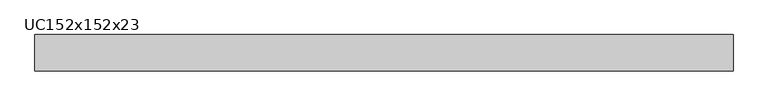
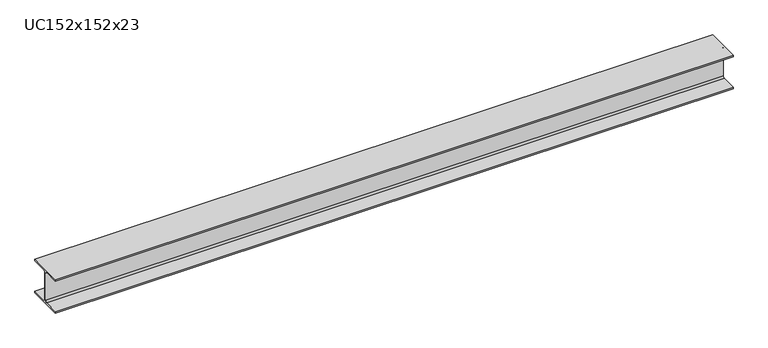
"""IFC4 building model written with IfcOpenShell, lengths in millimetres: beam geometry, UC152x152x23."""

import ifcopenshell
import ifcopenshell.guid

model = None  # the IFC model being written
_history = None  # IfcOwnerHistory: only IFC2X3 demands one
_inside = {}  # id of a spatial element -> (the spatial element, [elements in it])
_under = {}  # id of a project, library or spatial element -> (it, [spatial elements below it])
_declared = {}  # id of a project -> (the project, [libraries it declares])
_typed = {}  # id of a type object -> (the type object, [elements of that type])
_made_of = {}  # id of a material, layer set ... -> (it, [elements and type objects made of it])


def new_model(schema):
    """Start an empty IFC model of exactly this schema.

    Asked for "IFC4X3", IfcOpenShell would pick the latest addendum, in which some entities
    have other attributes; the version numbers below select the first issue.
    IFC2X3 requires an IfcOwnerHistory on every rooted entity: one is made here for all.
    """
    global model, _history
    if schema == "IFC4X3":
        model = ifcopenshell.file(schema_version=(4, 3, 0, 0))
    else:
        model = ifcopenshell.file(schema=schema)
    _inside.clear()
    _under.clear()
    _declared.clear()
    _typed.clear()
    _made_of.clear()
    _history = None
    if model.schema == "IFC2X3":
        org = make("IfcOrganization", Name="unknown")
        user = make(
            "IfcPersonAndOrganization",
            ThePerson=make("IfcPerson", FamilyName="unknown"),
            TheOrganization=org,
        )
        app = make(
            "IfcApplication",
            ApplicationDeveloper=org,
            Version="unknown",
            ApplicationFullName="unknown",
            ApplicationIdentifier="unknown",
        )
        _history = make(
            "IfcOwnerHistory",
            OwningUser=user,
            OwningApplication=app,
            ChangeAction="ADDED",
            CreationDate=0,
        )
    return model


def make(cls, **values):
    """One entity of the class cls with the attributes given. An attribute that is None is left unset."""
    return model.create_entity(
        cls, **{name: value for name, value in values.items() if value is not None}
    )


def rooted(cls, **values):
    """An entity with a GlobalId (a new one), such as an element, a storey or a relation."""
    return make(cls, GlobalId=ifcopenshell.guid.new(), OwnerHistory=_history, **values)


def si_unit(unit_type, name, prefix=None):
    """IfcSIUnit, for example si_unit("LENGTHUNIT", "METRE", prefix="MILLI")."""
    return make("IfcSIUnit", UnitType=unit_type, Prefix=prefix, Name=name)


def assignment(units):
    """IfcUnitAssignment: the units of a project."""
    return None if units is None else make("IfcUnitAssignment", Units=units)


def point(xyz):
    """IfcCartesianPoint."""
    return None if xyz is None else make("IfcCartesianPoint", Coordinates=xyz)


def direction(xyz):
    """IfcDirection."""
    return None if xyz is None else make("IfcDirection", DirectionRatios=xyz)


def frame(location, z_axis=None, x_axis=None):
    """IfcAxis2Placement3D, a coordinate frame: its origin and axes. An axis left out is left unset."""
    return make(
        "IfcAxis2Placement3D",
        Location=point(location),
        Axis=direction(z_axis),
        RefDirection=direction(x_axis),
    )


def frame_2d(location, x_axis=None):
    """IfcAxis2Placement2D, a coordinate frame in the plane: its origin and x axis."""
    return make(
        "IfcAxis2Placement2D", Location=point(location), RefDirection=direction(x_axis)
    )


def origin():
    """The frame at (0, 0, 0) with its axes left unset."""
    return frame((0.0, 0.0, 0.0))


def place(relative_to, where):
    """IfcLocalPlacement: puts the frame where relative to a parent placement (None: the world)."""
    return make(
        "IfcLocalPlacement", PlacementRelTo=relative_to, RelativePlacement=where
    )


def context(
    kind, dimensions, precision=None, world=None, true_north=None, identifier=None
):
    """IfcGeometricRepresentationContext, for example the 3D "Model" context."""
    return make(
        "IfcGeometricRepresentationContext",
        ContextIdentifier=identifier,
        ContextType=kind,
        CoordinateSpaceDimension=dimensions,
        Precision=precision,
        WorldCoordinateSystem=world,
        TrueNorth=true_north,
    )


def project(units=None, contexts=None):
    """IfcProject with its units and contexts."""
    return rooted(
        "IfcProject",
        Name="project",
        RepresentationContexts=contexts,
        UnitsInContext=assignment(units),
    )


def spatial(cls, under=None, at=None, **own):
    """A site, building, storey or space (cls), placed at a placement, below another one or the project."""
    s = rooted(cls, ObjectPlacement=at, **own)
    if under is not None:
        _under.setdefault(under.id(), (under, []))[1].append(s)
    return s


def polyline(points):
    """IfcPolyline through the points."""
    return make("IfcPolyline", Points=[point(p) for p in points])


def circle_curve(where, radius):
    """IfcCircle in the frame where."""
    return make("IfcCircle", Position=where, Radius=radius)


def trimmed(basis, trim1, trim2, sense, master):
    """IfcTrimmedCurve: the piece of a basis curve between two trims."""
    return make(
        "IfcTrimmedCurve",
        BasisCurve=basis,
        Trim1=trim1,
        Trim2=trim2,
        SenseAgreement=sense,
        MasterRepresentation=master,
    )


def segment(curve, same_sense, transition):
    """IfcCompositeCurveSegment."""
    return make(
        "IfcCompositeCurveSegment",
        Transition=transition,
        SameSense=same_sense,
        ParentCurve=curve,
    )


def composite_curve(segments, self_intersect=None):
    """IfcCompositeCurve: segments joined end to end."""
    return make("IfcCompositeCurve", Segments=segments, SelfIntersect=self_intersect)


def outline(outer, holes=None, kind="AREA"):
    """IfcArbitraryClosedProfileDef: a profile drawn as a closed curve; with holes, ...WithVoids."""
    if holes is None:
        return make("IfcArbitraryClosedProfileDef", ProfileType=kind, OuterCurve=outer)
    return make(
        "IfcArbitraryProfileDefWithVoids",
        ProfileType=kind,
        OuterCurve=outer,
        InnerCurves=holes,
    )


def extrude(swept, where, along, depth):
    """IfcExtrudedAreaSolid: the profile swept, set in the frame where, extruded along a direction by depth."""
    return make(
        "IfcExtrudedAreaSolid",
        SweptArea=swept,
        Position=where,
        ExtrudedDirection=direction(along),
        Depth=depth,
    )


def shape(context_of_items, identifier, shape_type, items):
    """IfcShapeRepresentation: the items that make up one representation, for example the "Body"."""
    return make(
        "IfcShapeRepresentation",
        ContextOfItems=context_of_items,
        RepresentationIdentifier=identifier,
        RepresentationType=shape_type,
        Items=items,
    )


def source(mapping_origin, context_of_items, identifier, shape_type, items):
    """IfcRepresentationMap: a shape defined once, which mapped items show again and again."""
    return make(
        "IfcRepresentationMap",
        MappingOrigin=mapping_origin,
        MappedRepresentation=shape(context_of_items, identifier, shape_type, items),
    )


def transform(
    local_origin,
    x_axis=None,
    y_axis=None,
    z_axis=None,
    scale=None,
    scale2=None,
    scale3=None,
    uniform=True,
):
    """IfcCartesianTransformationOperator3D, or its non-uniform kind. x_axis, y_axis, z_axis: its Axis1, 2, 3."""
    if uniform:
        return make(
            "IfcCartesianTransformationOperator3D",
            Axis1=direction(x_axis),
            Axis2=direction(y_axis),
            LocalOrigin=point(local_origin),
            Scale=scale,
            Axis3=direction(z_axis),
        )
    return make(
        "IfcCartesianTransformationOperator3DnonUniform",
        Axis1=direction(x_axis),
        Axis2=direction(y_axis),
        LocalOrigin=point(local_origin),
        Scale=scale,
        Axis3=direction(z_axis),
        Scale2=scale2,
        Scale3=scale3,
    )


def mapped(mapping_source, mapping_target):
    """IfcMappedItem: shows the shape of a source again, moved by a transform."""
    return make(
        "IfcMappedItem", MappingSource=mapping_source, MappingTarget=mapping_target
    )


def made_of(thing, what):
    """Note that an element or type object is made of a material, layer set ...; save() writes the relation."""
    if what is not None:
        _made_of.setdefault(what.id(), (what, []))[1].append(thing)
    return thing


def element(
    cls,
    number,
    at=None,
    inside=None,
    cuts=None,
    type_object=None,
    material=None,
    context=None,
    identifier="Body",
    shape_type=None,
    held_by="IfcProductDefinitionShape",
    body=None,
    shapes=None,
    **own,
):
    """One element of the class cls, such as IfcWall. Its Tag is "e" and its number.

    at: its placement. inside: the storey or other place that contains it. cuts: it is an
    opening in that element (IfcRelVoidsElement). A single representation is given by context,
    identifier, shape_type and body (its items); several are given by shapes. held_by: the class
    of the entity that holds the representations. save() writes the other relations.
    """
    e = rooted(cls, Tag="e%d" % number, ObjectPlacement=at, **own)
    if body is not None:
        shapes = [shape(context, identifier, shape_type, body)]
    if shapes is not None:
        e.Representation = make(held_by, Representations=shapes)
    if inside is not None:
        _inside.setdefault(inside.id(), (inside, []))[1].append(e)
    if cuts is not None:
        rooted(
            "IfcRelVoidsElement", RelatingBuildingElement=cuts, RelatedOpeningElement=e
        )
    if type_object is not None:
        _typed.setdefault(type_object.id(), (type_object, []))[1].append(e)
    return made_of(e, material)


def aggregate(whole, parts):
    """IfcRelAggregates: a whole, such as a stair, and the parts it consists of."""
    return rooted("IfcRelAggregates", RelatingObject=whole, RelatedObjects=parts)


def save(model, path):
    """Write the relations noted so far, then the file.

    IfcRelAggregates (storeys below a building ...), IfcRelContainedInSpatialStructure (elements
    in a storey), IfcRelDefinesByType, IfcRelAssociatesMaterial and IfcRelDeclares: one each for
    every whole, place, type object, material and project.
    """
    for whole, parts in _under.values():
        aggregate(whole, parts)
    for where, things in _inside.values():
        rooted(
            "IfcRelContainedInSpatialStructure",
            RelatedElements=things,
            RelatingStructure=where,
        )
    for kind, things in _typed.values():
        rooted("IfcRelDefinesByType", RelatedObjects=things, RelatingType=kind)
    for what, things in _made_of.values():
        rooted("IfcRelAssociatesMaterial", RelatedObjects=things, RelatingMaterial=what)
    for by, libraries in _declared.values():
        rooted("IfcRelDeclares", RelatingContext=by, RelatedDefinitions=libraries)
    model.write(path)


def uc152x152x23_a26c6fec(model_context):
    return source(origin(), model_context, "Body", "SweptSolid", [
        extrude(outline(composite_curve([segment(polyline([(76.1, -69.4), (76.1, -76.2), (-76.1, -76.2), (-76.1, -69.4), (-10.5, -69.4)]), True, "CONTINUOUS"), segment(trimmed(circle_curve(frame_2d((-10.5, -61.8)), 7.6), [point((-10.5, -69.4))], [point((-2.9, -61.8))], True, "CARTESIAN"), True, "CONTINUOUS"), segment(polyline([(-2.9, -61.8), (-2.9, 61.8)]), True, "CONTINUOUS"), segment(trimmed(circle_curve(frame_2d((-10.5, 61.8)), 7.6), [point((-2.9, 61.8))], [point((-10.5, 69.4))], True, "CARTESIAN"), True, "CONTINUOUS"), segment(polyline([(-10.5, 69.4), (-76.1, 69.4), (-76.1, 76.2), (76.1, 76.2), (76.1, 69.4), (10.5, 69.4)]), True, "CONTINUOUS"), segment(trimmed(circle_curve(frame_2d((10.5, 61.8)), 7.6), [point((10.5, 69.4))], [point((2.9, 61.8))], True, "CARTESIAN"), True, "CONTINUOUS"), segment(polyline([(2.9, 61.8), (2.9, -61.8)]), True, "CONTINUOUS"), segment(trimmed(circle_curve(frame_2d((10.5, -61.8)), 7.6), [point((2.9, -61.8))], [point((10.5, -69.4))], True, "CARTESIAN"), True, "CONTINUOUS"), segment(polyline([(10.5, -69.4), (76.1, -69.4)]), True, "CONTINUOUS")], self_intersect=False)), frame((-1238.5, 0.0, 0.0), z_axis=(1.0, 0.0, 0.0), x_axis=(0.0, 1.0, 0.0)), (0.0, 0.0, 1.0), 2921.5886076),
    ])


if __name__ == "__main__":
    model = new_model("IFC4")
    model_context = context("Model", 3, world=origin())
    ifc_project = project(units=[si_unit("LENGTHUNIT", "METRE", prefix="MILLI")], contexts=[model_context])
    site = spatial("IfcSite", under=ifc_project)
    building = spatial("IfcBuilding", under=site)
    placement = place(None, origin())
    uc152x152x23_shape = uc152x152x23_a26c6fec(model_context)
    element("IfcBeam", 1, ObjectType="UC152x152x23", at=placement, inside=building, context=model_context, shape_type="MappedRepresentation", body=[
        mapped(uc152x152x23_shape, transform((0.0, 0.0, 0.0), x_axis=(1.0, 0.0, 0.0), y_axis=(0.0, 1.0, 0.0), z_axis=(0.0, 0.0, 1.0))),
    ])
    save(model, "model.ifc")
